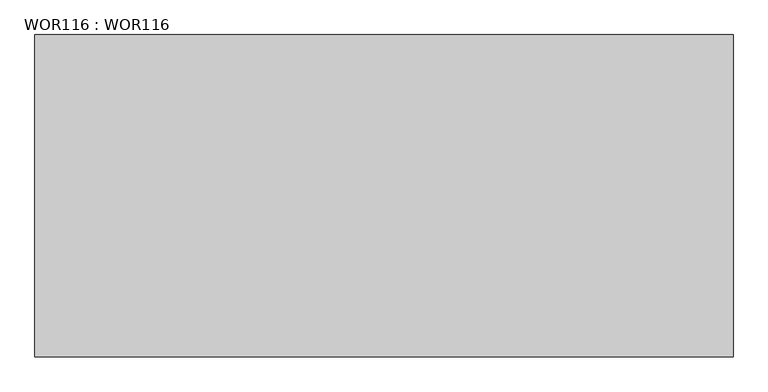
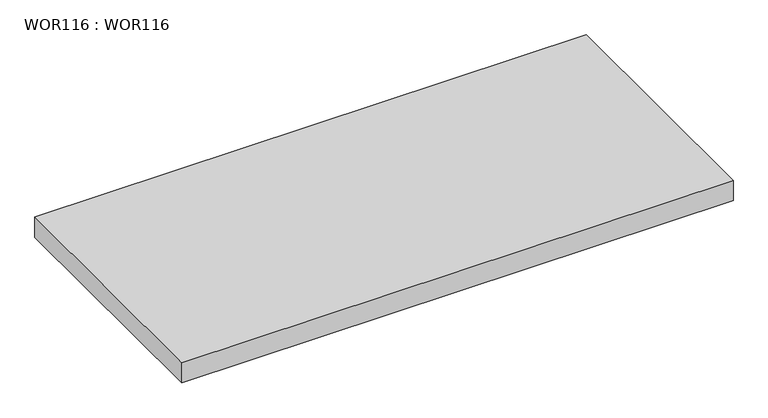
"""IFC4 building model written with IfcOpenShell, lengths in millimetres: proxy geometry, WOR116 : WOR116."""

from ifc_helpers import new_model, si_unit, origin, origin_with_axes, place, context, project, spatial, polyline, outline, extrude, source, transform, mapped, element, save


def wor116_wor116_75423992(model_context):
    return source(origin(), model_context, "Body", "SweptSolid", [
        extrude(outline(polyline([(0.0, -600.0000046), (0.0, 0.0), (1300.0, 0.0), (1300.0, -600.0000046), (0.0, -600.0000046)])), origin_with_axes(), (0.0, 0.0, 1.0), 50.0),
    ])


if __name__ == "__main__":
    model = new_model("IFC4")
    model_context = context("Model", 3, world=origin())
    ifc_project = project(units=[si_unit("LENGTHUNIT", "METRE", prefix="MILLI")], contexts=[model_context])
    site = spatial("IfcSite", under=ifc_project)
    building = spatial("IfcBuilding", under=site)
    placement = place(None, origin())
    wor116_wor116_shape = wor116_wor116_75423992(model_context)
    element("IfcBuildingElementProxy", 1, Name="WOR116 : WOR116", ObjectType="WOR116 : WOR116", at=placement, inside=building, context=model_context, shape_type="MappedRepresentation", body=[
        mapped(wor116_wor116_shape, transform((0.0, 0.0, 0.0), x_axis=(1.0, 0.0, 0.0), y_axis=(0.0, 1.0, 0.0), z_axis=(0.0, 0.0, 1.0))),
    ])
    save(model, "model.ifc")
